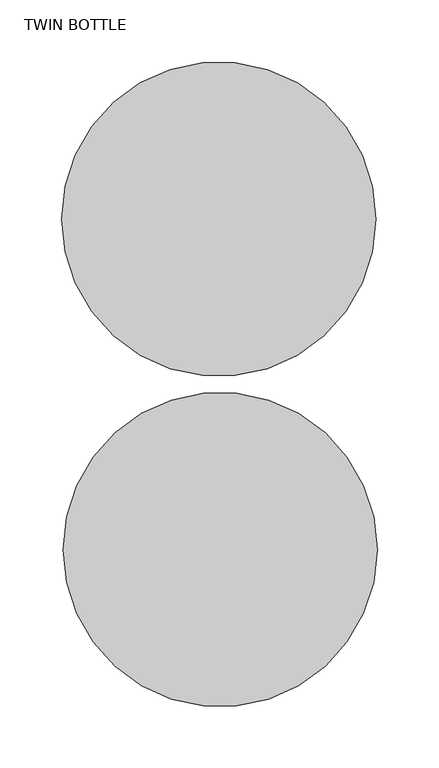
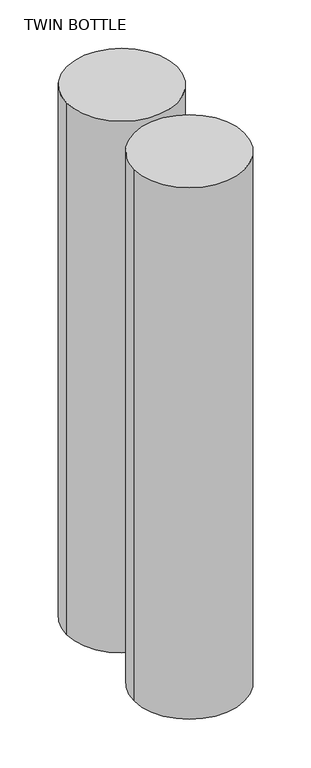
"""IFC4 building model written with IfcOpenShell, lengths in millimetres: proxy geometry, TWIN BOTTLE."""

from ifc_helpers import new_model, si_unit, point, frame_2d, origin, origin_with_axes, place, context, project, spatial, circle_curve, trimmed, segment, composite_curve, outline, extrude, source, transform, mapped, element, save


def twin_bottle_05dfa078(model_context):
    return source(origin(), model_context, "Body", "SweptSolid", [
        extrude(outline(composite_curve([segment(trimmed(circle_curve(frame_2d((-441.0342439, -14.5159762)), 127.0), [point((-568.0342439, -14.5159762))], [point((-314.0342439, -14.5159762))], False, "CARTESIAN"), True, "CONTINUOUS"), segment(trimmed(circle_curve(frame_2d((-441.0342439, -14.5159762)), 127.0), [point((-314.0342439, -14.5159762))], [point((-568.0342439, -14.5159762))], False, "CARTESIAN"), True, "CONTINUOUS")], self_intersect=False)), origin_with_axes(), (0.0, 0.0, 1.0), 1295.4),
        extrude(outline(composite_curve([segment(trimmed(circle_curve(frame_2d((-439.9870488, -281.5679784)), 127.0), [point((-566.9870488, -281.5679784))], [point((-312.9870488, -281.5679784))], False, "CARTESIAN"), True, "CONTINUOUS"), segment(trimmed(circle_curve(frame_2d((-439.9870488, -281.5679784)), 127.0), [point((-312.9870488, -281.5679784))], [point((-566.9870488, -281.5679784))], False, "CARTESIAN"), True, "CONTINUOUS")], self_intersect=False)), origin_with_axes(), (0.0, 0.0, 1.0), 1295.4),
    ])


if __name__ == "__main__":
    model = new_model("IFC4")
    model_context = context("Model", 3, world=origin())
    ifc_project = project(units=[si_unit("LENGTHUNIT", "METRE", prefix="MILLI")], contexts=[model_context])
    site = spatial("IfcSite", under=ifc_project)
    building = spatial("IfcBuilding", under=site)
    placement = place(None, origin())
    twin_bottle_shape = twin_bottle_05dfa078(model_context)
    element("IfcBuildingElementProxy", 1, Name="TWIN BOTTLE", ObjectType="TWIN BOTTLE", at=placement, inside=building, context=model_context, shape_type="MappedRepresentation", body=[
        mapped(twin_bottle_shape, transform((0.0, 0.0, 0.0), x_axis=(1.0, 0.0, 0.0), y_axis=(0.0, 1.0, 0.0), z_axis=(0.0, 0.0, 1.0))),
    ])
    save(model, "model.ifc")
